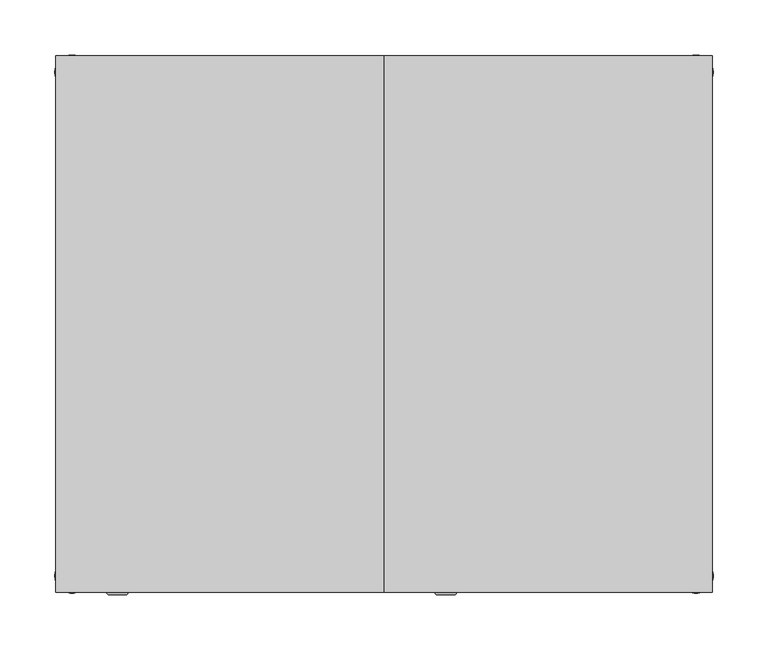
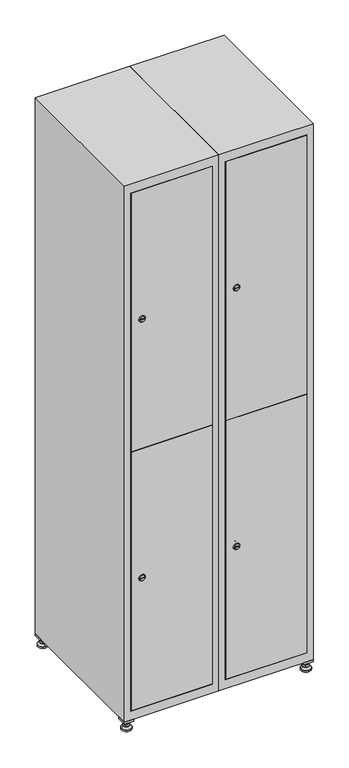
"""IFC4 building model written with IfcOpenShell, lengths in millimetres: furniture geometry."""

from ifc_helpers import new_model, si_unit, point, frame, frame_2d, origin, origin_with_axes, place, context, project, spatial, polyline, circle_curve, trimmed, segment, composite_curve, outline, extrude, faceted_brep, source, transform, mapped, element, save
from ifc_brep_helpers import plane_surface, revolved_surface, advanced_brep


def furniture_f09a7228(model_context):
    return source(origin(), model_context, "Body", "SolidModel", [
        extrude(outline(polyline([(400.0, 245.0), (400.0, 215.0), (370.0, 215.0), (370.0, 245.0), (400.0, 245.0)]), holes=[polyline([(398.0, 243.0), (372.0, 243.0), (372.0, 217.0), (398.0, 217.0), (398.0, 243.0)])]), frame((0.0, 0.0, 28.5), z_axis=(0.0, 0.0, 1.0), x_axis=(1.0, 0.0, 0.0)), (0.0, 0.0, 1.0), 6.5),
        extrude(outline(polyline([(370.0, -245.0), (370.0, -215.0), (400.0, -215.0), (400.0, -245.0), (370.0, -245.0)]), holes=[polyline([(372.0, -243.0), (398.0, -243.0), (398.0, -217.0), (372.0, -217.0), (372.0, -243.0)])]), frame((0.0, 0.0, 28.5), z_axis=(0.0, 0.0, 1.0), x_axis=(1.0, 0.0, 0.0)), (0.0, 0.0, 1.0), 6.5),
        extrude(outline(polyline([(-170.0, 245.0), (-170.0, 215.0), (-200.0, 215.0), (-200.0, 245.0), (-170.0, 245.0)]), holes=[polyline([(-172.0, 243.0), (-198.0, 243.0), (-198.0, 217.0), (-172.0, 217.0), (-172.0, 243.0)])]), frame((0.0, 0.0, 28.5), z_axis=(0.0, 0.0, 1.0), x_axis=(1.0, 0.0, 0.0)), (0.0, 0.0, 1.0), 6.5),
        extrude(outline(polyline([(-170.0, -215.0), (-170.0, -245.0), (-200.0, -245.0), (-200.0, -215.0), (-170.0, -215.0)]), holes=[polyline([(-198.0, -243.0), (-172.0, -243.0), (-172.0, -217.0), (-198.0, -217.0), (-198.0, -243.0)])]), frame((0.0, 0.0, 28.5), z_axis=(0.0, 0.0, 1.0), x_axis=(1.0, 0.0, 0.0)), (0.0, 0.0, 1.0), 6.5),
        extrude(outline(composite_curve([segment(trimmed(circle_curve(frame_2d((-185.0, 230.0)), 5.0), [point((-180.0, 230.0))], [point((-190.0, 230.0))], False, "CARTESIAN"), True, "CONTINUOUS"), segment(trimmed(circle_curve(frame_2d((-185.0, 230.0)), 5.0), [point((-190.0, 230.0))], [point((-180.0, 230.0))], False, "CARTESIAN"), True, "CONTINUOUS")], self_intersect=False)), frame((0.0, 0.0, 19.6), z_axis=(0.0, 0.0, 1.0), x_axis=(1.0, 0.0, 0.0)), (0.0, 0.0, 1.0), 15.4),
        extrude(outline(composite_curve([segment(trimmed(circle_curve(frame_2d((-185.0, -230.0)), 5.0), [point((-180.0, -230.0))], [point((-190.0, -230.0))], False, "CARTESIAN"), True, "CONTINUOUS"), segment(trimmed(circle_curve(frame_2d((-185.0, -230.0)), 5.0), [point((-190.0, -230.0))], [point((-180.0, -230.0))], False, "CARTESIAN"), True, "CONTINUOUS")], self_intersect=False)), frame((0.0, 0.0, 19.6), z_axis=(0.0, 0.0, 1.0), x_axis=(1.0, 0.0, 0.0)), (0.0, 0.0, 1.0), 15.4),
        extrude(outline(composite_curve([segment(trimmed(circle_curve(frame_2d((385.0, 230.0)), 5.0), [point((390.0, 230.0))], [point((380.0, 230.0))], False, "CARTESIAN"), True, "CONTINUOUS"), segment(trimmed(circle_curve(frame_2d((385.0, 230.0)), 5.0), [point((380.0, 230.0))], [point((390.0, 230.0))], False, "CARTESIAN"), True, "CONTINUOUS")], self_intersect=False)), frame((0.0, 0.0, 19.6), z_axis=(0.0, 0.0, 1.0), x_axis=(1.0, 0.0, 0.0)), (0.0, 0.0, 1.0), 15.4),
        extrude(outline(polyline([(373.4529946, 230.0), (379.2264973, 240.0), (390.7735027, 240.0), (396.5470054, 230.0), (390.7735027, 220.0), (379.2264973, 220.0), (373.4529946, 230.0)])), frame((0.0, 0.0, 13.6), z_axis=(0.0, 0.0, 1.0), x_axis=(1.0, 0.0, 0.0)), (0.0, 0.0, 1.0), 6.0),
        extrude(outline(composite_curve([segment(trimmed(circle_curve(frame_2d((385.0, -230.0)), 5.0), [point((390.0, -230.0))], [point((380.0, -230.0))], False, "CARTESIAN"), True, "CONTINUOUS"), segment(trimmed(circle_curve(frame_2d((385.0, -230.0)), 5.0), [point((380.0, -230.0))], [point((390.0, -230.0))], False, "CARTESIAN"), True, "CONTINUOUS")], self_intersect=False)), frame((0.0, 0.0, 19.6), z_axis=(0.0, 0.0, 1.0), x_axis=(1.0, 0.0, 0.0)), (0.0, 0.0, 1.0), 15.4),
        extrude(outline(polyline([(373.4529946, -230.0), (379.2264973, -220.0), (390.7735027, -220.0), (396.5470054, -230.0), (390.7735027, -240.0), (379.2264973, -240.0), (373.4529946, -230.0)])), frame((0.0, 0.0, 13.6), z_axis=(0.0, 0.0, 1.0), x_axis=(1.0, 0.0, 0.0)), (0.0, 0.0, 1.0), 6.0),
        extrude(outline(composite_curve([segment(trimmed(circle_curve(frame_2d((385.0, 230.0)), 5.0), [point((390.0, 230.0))], [point((380.0, 230.0))], False, "CARTESIAN"), True, "CONTINUOUS"), segment(trimmed(circle_curve(frame_2d((385.0, 230.0)), 5.0), [point((380.0, 230.0))], [point((390.0, 230.0))], False, "CARTESIAN"), True, "CONTINUOUS")], self_intersect=False)), frame((0.0, 0.0, 12.1), z_axis=(0.0, 0.0, 1.0), x_axis=(1.0, 0.0, 0.0)), (0.0, 0.0, 1.0), 1.5),
        extrude(outline(composite_curve([segment(trimmed(circle_curve(frame_2d((385.0, -230.0)), 5.0), [point((390.0, -230.0))], [point((380.0, -230.0))], False, "CARTESIAN"), True, "CONTINUOUS"), segment(trimmed(circle_curve(frame_2d((385.0, -230.0)), 5.0), [point((380.0, -230.0))], [point((390.0, -230.0))], False, "CARTESIAN"), True, "CONTINUOUS")], self_intersect=False)), frame((0.0, 0.0, 12.1), z_axis=(0.0, 0.0, 1.0), x_axis=(1.0, 0.0, 0.0)), (0.0, 0.0, 1.0), 1.5),
        extrude(outline(polyline([(-196.5470054, 230.0), (-190.7735027, 240.0), (-179.2264973, 240.0), (-173.4529946, 230.0), (-179.2264973, 220.0), (-190.7735027, 220.0), (-196.5470054, 230.0)])), frame((0.0, 0.0, 13.6), z_axis=(0.0, 0.0, 1.0), x_axis=(1.0, 0.0, 0.0)), (0.0, 0.0, 1.0), 6.0),
        extrude(outline(polyline([(-196.5470054, -230.0), (-190.7735027, -220.0), (-179.2264973, -220.0), (-173.4529946, -230.0), (-179.2264973, -240.0), (-190.7735027, -240.0), (-196.5470054, -230.0)])), frame((0.0, 0.0, 13.6), z_axis=(0.0, 0.0, 1.0), x_axis=(1.0, 0.0, 0.0)), (0.0, 0.0, 1.0), 6.0),
        extrude(outline(composite_curve([segment(trimmed(circle_curve(frame_2d((-185.0, 230.0)), 5.0), [point((-185.0, 235.0))], [point((-185.0, 225.0))], False, "CARTESIAN"), True, "CONTINUOUS"), segment(trimmed(circle_curve(frame_2d((-185.0, 230.0)), 5.0), [point((-185.0, 225.0))], [point((-185.0, 235.0))], False, "CARTESIAN"), True, "CONTINUOUS")], self_intersect=False)), frame((0.0, 0.0, 12.1), z_axis=(0.0, 0.0, 1.0), x_axis=(1.0, 0.0, 0.0)), (0.0, 0.0, 1.0), 1.5),
        extrude(outline(composite_curve([segment(trimmed(circle_curve(frame_2d((-185.0, -230.0)), 5.0), [point((-180.0, -230.0))], [point((-190.0, -230.0))], False, "CARTESIAN"), True, "CONTINUOUS"), segment(trimmed(circle_curve(frame_2d((-185.0, -230.0)), 5.0), [point((-190.0, -230.0))], [point((-180.0, -230.0))], False, "CARTESIAN"), True, "CONTINUOUS")], self_intersect=False)), frame((0.0, 0.0, 12.1), z_axis=(0.0, 0.0, 1.0), x_axis=(1.0, 0.0, 0.0)), (0.0, 0.0, 1.0), 1.5),
        extrude(outline(composite_curve([segment(trimmed(circle_curve(frame_2d((385.0, 230.0)), 15.75), [point((400.75, 230.0))], [point((369.25, 230.0))], False, "CARTESIAN"), True, "CONTINUOUS"), segment(trimmed(circle_curve(frame_2d((385.0, 230.0)), 15.75), [point((369.25, 230.0))], [point((400.75, 230.0))], False, "CARTESIAN"), True, "CONTINUOUS")], self_intersect=False)), origin_with_axes(), (0.0, 0.0, 1.0), 5.1),
        extrude(outline(composite_curve([segment(trimmed(circle_curve(frame_2d((385.0, -230.0)), 15.75), [point((385.0, -214.25))], [point((385.0, -245.75))], False, "CARTESIAN"), True, "CONTINUOUS"), segment(trimmed(circle_curve(frame_2d((385.0, -230.0)), 15.75), [point((385.0, -245.75))], [point((385.0, -214.25))], False, "CARTESIAN"), True, "CONTINUOUS")], self_intersect=False)), origin_with_axes(), (0.0, 0.0, 1.0), 5.1),
        extrude(outline(composite_curve([segment(trimmed(circle_curve(frame_2d((-185.0, -230.0)), 15.75), [point((-169.25, -230.0))], [point((-200.75, -230.0))], False, "CARTESIAN"), True, "CONTINUOUS"), segment(trimmed(circle_curve(frame_2d((-185.0, -230.0)), 15.75), [point((-200.75, -230.0))], [point((-169.25, -230.0))], False, "CARTESIAN"), True, "CONTINUOUS")], self_intersect=False)), origin_with_axes(), (0.0, 0.0, 1.0), 5.1),
        extrude(outline(composite_curve([segment(trimmed(circle_curve(frame_2d((-185.0, 230.0)), 15.75), [point((-169.25, 230.0))], [point((-200.75, 230.0))], False, "CARTESIAN"), True, "CONTINUOUS"), segment(trimmed(circle_curve(frame_2d((-185.0, 230.0)), 15.75), [point((-200.75, 230.0))], [point((-169.25, 230.0))], False, "CARTESIAN"), True, "CONTINUOUS")], self_intersect=False)), origin_with_axes(), (0.0, 0.0, 1.0), 5.1),
        advanced_brep(
        [(-185.0, 245.75, 5.1), (-185.0, 214.25, 5.1), (-185.0, 239.5, 12.1), (-185.0, 220.5, 12.1)],
        [
            (0, 1, circle_curve(frame((-185.0, 230.0, 5.1), z_axis=(0.0, 0.0, -1.0), x_axis=(0.0, 1.0, 0.0)), 15.75)),
            (1, 0, circle_curve(frame((-185.0, 230.0, 5.1), z_axis=(0.0, 0.0, -1.0), x_axis=(0.0, -1.0, 0.0)), 15.75)),
            (2, 3, circle_curve(frame((-185.0, 230.0, 12.1), z_axis=(0.0, 0.0, 1.0), x_axis=(0.0, -1.0, 0.0)), 9.5)),
            (3, 2, circle_curve(frame((-185.0, 230.0, 12.1), z_axis=(0.0, 0.0, 1.0), x_axis=(0.0, 1.0, 0.0)), 9.5)),
            (3, 1),
            (0, 2),
        ],
        [
            plane_surface(frame((-185.0, 230.0, 5.1), z_axis=(0.0, 0.0, -1.0), x_axis=(1.0, 0.0, 0.0))),
            plane_surface(frame((-185.0, 230.0, 12.1), z_axis=(0.0, 0.0, 1.0), x_axis=(1.0, 0.0, 0.0))),
            revolved_surface(polyline([(-185.0, 220.5, 12.099999999999998), (-185.0, 214.25, 5.099999999999998)]), (-185.0, 230.0, 22.74), (0.0, 0.0, -1.0)),
            revolved_surface(polyline([(-185.0, 239.5, 12.099999999999998), (-185.0, 245.75, 5.099999999999998)]), (-185.0, 230.0, 22.74), (0.0, 0.0, -1.0)),
        ],
        [
            (0, [[1, 2]]),
            (1, [[3, 4]]),
            (2, [[-4, 5, -1, 6]]),
            (3, [[-3, -6, -2, -5]]),
        ],
    ),
        advanced_brep(
        [(385.0, 245.75, 5.1), (385.0, 214.25, 5.1), (385.0, 239.5, 12.1), (385.0, 220.5, 12.1)],
        [
            (0, 1, circle_curve(frame((385.0, 230.0, 5.1), z_axis=(0.0, 0.0, -1.0), x_axis=(0.0, 1.0, 0.0)), 15.75)),
            (1, 0, circle_curve(frame((385.0, 230.0, 5.1), z_axis=(0.0, 0.0, -1.0), x_axis=(0.0, -1.0, 0.0)), 15.75)),
            (2, 3, circle_curve(frame((385.0, 230.0, 12.1), z_axis=(0.0, 0.0, 1.0), x_axis=(0.0, -1.0, 0.0)), 9.5)),
            (3, 2, circle_curve(frame((385.0, 230.0, 12.1), z_axis=(0.0, 0.0, 1.0), x_axis=(0.0, 1.0, 0.0)), 9.5)),
            (3, 1),
            (0, 2),
        ],
        [
            plane_surface(frame((385.0, 230.0, 5.1), z_axis=(0.0, 0.0, -1.0), x_axis=(1.0, 0.0, 0.0))),
            plane_surface(frame((385.0, 230.0, 12.1), z_axis=(0.0, 0.0, 1.0), x_axis=(1.0, 0.0, 0.0))),
            revolved_surface(polyline([(385.0, 220.5, 12.099999999999998), (385.0, 214.25, 5.099999999999998)]), (385.0, 230.0, 22.74), (0.0, 0.0, -1.0)),
            revolved_surface(polyline([(385.0, 239.5, 12.099999999999998), (385.0, 245.75, 5.099999999999998)]), (385.0, 230.0, 22.74), (0.0, 0.0, -1.0)),
        ],
        [
            (0, [[1, 2]]),
            (1, [[3, 4]]),
            (2, [[-4, 5, -1, 6]]),
            (3, [[-3, -6, -2, -5]]),
        ],
    ),
        advanced_brep(
        [(394.5, -230.0, 12.1), (375.5, -230.0, 12.1), (400.75, -230.0, 5.1), (369.25, -230.0, 5.1)],
        [
            (0, 1, circle_curve(frame((385.0, -230.0, 12.1), z_axis=(0.0, 0.0, 1.0), x_axis=(1.0, 0.0, 0.0)), 9.5)),
            (1, 0, circle_curve(frame((385.0, -230.0, 12.1), z_axis=(0.0, 0.0, 1.0), x_axis=(-1.0, 0.0, 0.0)), 9.5)),
            (2, 3, circle_curve(frame((385.0, -230.0, 5.1), z_axis=(0.0, 0.0, -1.0), x_axis=(-1.0, 0.0, 0.0)), 15.75)),
            (3, 2, circle_curve(frame((385.0, -230.0, 5.1), z_axis=(0.0, 0.0, -1.0), x_axis=(1.0, 0.0, 0.0)), 15.75)),
            (3, 1),
            (0, 2),
        ],
        [
            plane_surface(frame((385.0, -230.0, 12.1), z_axis=(0.0, 0.0, 1.0), x_axis=(0.0, 1.0, 0.0))),
            plane_surface(frame((385.0, -230.0, 5.1), z_axis=(0.0, 0.0, -1.0), x_axis=(0.0, 1.0, 0.0))),
            revolved_surface(polyline([(394.5, -230.0, 12.099999999999998), (400.75, -230.0, 5.099999999999998)]), (385.0, -230.0, 22.74), (0.0, 0.0, -1.0)),
            revolved_surface(polyline([(375.5, -230.0, 12.099999999999998), (369.25, -230.0, 5.099999999999998)]), (385.0, -230.0, 22.74), (0.0, 0.0, -1.0)),
        ],
        [
            (0, [[1, 2]]),
            (1, [[3, 4]]),
            (2, [[-4, 5, -1, 6]]),
            (3, [[-3, -6, -2, -5]]),
        ],
    ),
        advanced_brep(
        [(-175.5, -230.0, 12.1), (-194.5, -230.0, 12.1), (-169.25, -230.0, 5.1), (-200.75, -230.0, 5.1)],
        [
            (0, 1, circle_curve(frame((-185.0, -230.0, 12.1), z_axis=(0.0, 0.0, 1.0), x_axis=(1.0, 0.0, 0.0)), 9.5)),
            (1, 0, circle_curve(frame((-185.0, -230.0, 12.1), z_axis=(0.0, 0.0, 1.0), x_axis=(-1.0, 0.0, 0.0)), 9.5)),
            (2, 3, circle_curve(frame((-185.0, -230.0, 5.1), z_axis=(0.0, 0.0, -1.0), x_axis=(-1.0, 0.0, 0.0)), 15.75)),
            (3, 2, circle_curve(frame((-185.0, -230.0, 5.1), z_axis=(0.0, 0.0, -1.0), x_axis=(1.0, 0.0, 0.0)), 15.75)),
            (3, 1),
            (0, 2),
        ],
        [
            plane_surface(frame((-185.0, -230.0, 12.1), z_axis=(0.0, 0.0, 1.0), x_axis=(0.0, 1.0, 0.0))),
            plane_surface(frame((-185.0, -230.0, 5.1), z_axis=(0.0, 0.0, -1.0), x_axis=(0.0, 1.0, 0.0))),
            revolved_surface(polyline([(-175.5, -230.0, 12.099999999999998), (-169.25, -230.0, 5.099999999999998)]), (-185.0, -230.0, 22.74), (0.0, 0.0, -1.0)),
            revolved_surface(polyline([(-194.5, -230.0, 12.099999999999998), (-200.75, -230.0, 5.099999999999998)]), (-185.0, -230.0, 22.74), (0.0, 0.0, -1.0)),
        ],
        [
            (0, [[1, 2]]),
            (1, [[3, 4]]),
            (2, [[-4, 5, -1, 6]]),
            (3, [[-3, -6, -2, -5]]),
        ],
    ),
        extrude(outline(composite_curve([segment(trimmed(circle_curve(frame_2d((500.6, 129.6010534)), 7.0), [point((507.6, 129.6010534))], [point((493.6, 129.6010534))], False, "CARTESIAN"), True, "CONTINUOUS"), segment(polyline([(493.6, 129.6010534), (493.6, 157.6010534)]), True, "CONTINUOUS"), segment(trimmed(circle_curve(frame_2d((500.6, 157.6010534)), 7.0), [point((493.6, 157.6010534))], [point((507.6, 157.6010534))], False, "CARTESIAN"), True, "CONTINUOUS"), segment(polyline([(507.6, 157.6010534), (507.6, 129.6010534)]), True, "CONTINUOUS")], self_intersect=False)), frame((0.0, -227.0, 0.0), z_axis=(0.0, 1.0, 0.0), x_axis=(0.0, 0.0, 1.0)), (0.0, 0.0, 1.0), 2.0),
        advanced_brep(
        [(164.9, -247.2, 500.6), (147.9, -247.2, 500.6), (151.4, -247.2, 499.35), (151.4, -247.2, 501.85), (161.4, -247.2, 501.85), (161.4, -247.2, 499.35), (166.9, -245.0, 500.6), (145.9, -245.0, 500.6), (151.4, -245.0, 501.85), (151.4, -245.0, 499.35), (161.4, -245.0, 499.35), (161.4, -245.0, 501.85)],
        [
            (0, 1, circle_curve(frame((156.4, -247.2, 500.6), z_axis=(0.0, -1.0, 0.0), x_axis=(1.0, 0.0, 0.0)), 8.5)),
            (1, 0, circle_curve(frame((156.4, -247.2, 500.6), z_axis=(0.0, -1.0, 0.0), x_axis=(-1.0, 0.0, 0.0)), 8.5)),
            (2, 3),
            (3, 4),
            (4, 5),
            (5, 2),
            (6, 7, circle_curve(frame((156.4, -245.0, 500.6), z_axis=(0.0, 1.0, 0.0), x_axis=(-1.0, 0.0, 0.0)), 10.5)),
            (7, 6, circle_curve(frame((156.4, -245.0, 500.6), z_axis=(0.0, 1.0, 0.0), x_axis=(1.0, 0.0, 0.0)), 10.5)),
            (8, 9),
            (9, 10),
            (10, 11),
            (11, 8),
            (0, 6),
            (7, 1),
            (8, 3),
            (2, 9),
            (11, 4),
            (10, 5),
        ],
        [
            plane_surface(frame((156.4, -247.2, 500.6), z_axis=(0.0, -1.0, 0.0), x_axis=(0.0, 0.0, 1.0))),
            plane_surface(frame((156.4, -245.0, 500.6), z_axis=(0.0, 1.0, 0.0), x_axis=(0.0, 0.0, 1.0))),
            revolved_surface(polyline([(164.9, -247.2, 500.6), (166.9, -245.0, 500.6)]), (156.4, -256.55, 500.6), (0.0, 1.0, 0.0)),
            revolved_surface(polyline([(147.9, -247.2, 500.6), (145.9, -245.0, 500.6)]), (156.4, -256.55, 500.6), (0.0, 1.0, 0.0)),
            plane_surface(frame((151.4, -245.0, 499.35), z_axis=(1.0, 0.0, 0.0), x_axis=(0.0, -1.0, 0.0))),
            plane_surface(frame((151.4, -245.0, 501.85), z_axis=(0.0, 0.0, -1.0), x_axis=(0.0, -1.0, 0.0))),
            plane_surface(frame((161.4, -245.0, 501.85), z_axis=(-1.0, 0.0, 0.0), x_axis=(0.0, -1.0, 0.0))),
            plane_surface(frame((161.4, -245.0, 499.35), z_axis=(0.0, 0.0, 1.0), x_axis=(0.0, -1.0, 0.0))),
        ],
        [
            (0, [[1, 2], [3, 4, 5, 6]]),
            (1, [[7, 8], [9, 10, 11, 12]]),
            (2, [[-1, 13, -8, 14]]),
            (3, [[-2, -14, -7, -13]]),
            (4, [[15, -3, 16, -9]]),
            (5, [[-15, -12, 17, -4]]),
            (6, [[-17, -11, 18, -5]]),
            (7, [[-16, -6, -18, -10]]),
        ],
    ),
        extrude(outline(composite_curve([segment(trimmed(circle_curve(frame_2d((1369.4, 129.6010534)), 7.0), [point((1376.4, 129.6010534))], [point((1362.4, 129.6010534))], False, "CARTESIAN"), True, "CONTINUOUS"), segment(polyline([(1362.4, 129.6010534), (1362.4, 157.6010534)]), True, "CONTINUOUS"), segment(trimmed(circle_curve(frame_2d((1369.4, 157.6010534)), 7.0), [point((1362.4, 157.6010534))], [point((1376.4, 157.6010534))], False, "CARTESIAN"), True, "CONTINUOUS"), segment(polyline([(1376.4, 157.6010534), (1376.4, 129.6010534)]), True, "CONTINUOUS")], self_intersect=False)), frame((0.0, -227.0, 0.0), z_axis=(0.0, 1.0, 0.0), x_axis=(0.0, 0.0, 1.0)), (0.0, 0.0, 1.0), 2.0),
        advanced_brep(
        [(164.9, -247.2, 1369.4), (147.9, -247.2, 1369.4), (151.4, -247.2, 1368.15), (151.4, -247.2, 1370.65), (161.4, -247.2, 1370.65), (161.4, -247.2, 1368.15), (166.9, -245.0, 1369.4), (145.9, -245.0, 1369.4), (151.4, -245.0, 1370.65), (151.4, -245.0, 1368.15), (161.4, -245.0, 1368.15), (161.4, -245.0, 1370.65)],
        [
            (0, 1, circle_curve(frame((156.4, -247.2, 1369.4), z_axis=(0.0, -1.0, 0.0), x_axis=(1.0, 0.0, 0.0)), 8.5)),
            (1, 0, circle_curve(frame((156.4, -247.2, 1369.4), z_axis=(0.0, -1.0, 0.0), x_axis=(-1.0, 0.0, 0.0)), 8.5)),
            (2, 3),
            (3, 4),
            (4, 5),
            (5, 2),
            (6, 7, circle_curve(frame((156.4, -245.0, 1369.4), z_axis=(0.0, 1.0, 0.0), x_axis=(-1.0, 0.0, 0.0)), 10.5)),
            (7, 6, circle_curve(frame((156.4, -245.0, 1369.4), z_axis=(0.0, 1.0, 0.0), x_axis=(1.0, 0.0, 0.0)), 10.5)),
            (8, 9),
            (9, 10),
            (10, 11),
            (11, 8),
            (0, 6),
            (7, 1),
            (8, 3),
            (2, 9),
            (11, 4),
            (10, 5),
        ],
        [
            plane_surface(frame((156.4, -247.2, 1369.4), z_axis=(0.0, -1.0, 0.0), x_axis=(0.0, 0.0, 1.0))),
            plane_surface(frame((156.4, -245.0, 1369.4), z_axis=(0.0, 1.0, 0.0), x_axis=(0.0, 0.0, 1.0))),
            revolved_surface(polyline([(164.9, -247.2, 1369.4), (166.9, -245.0, 1369.4)]), (156.4, -256.55, 1369.4), (0.0, 1.0, 0.0)),
            revolved_surface(polyline([(147.9, -247.2, 1369.4), (145.9, -245.0, 1369.4)]), (156.4, -256.55, 1369.4), (0.0, 1.0, 0.0)),
            plane_surface(frame((151.4, -245.0, 1368.15), z_axis=(1.0, 0.0, 0.0), x_axis=(0.0, -1.0, 0.0))),
            plane_surface(frame((151.4, -245.0, 1370.65), z_axis=(0.0, 0.0, -1.0), x_axis=(0.0, -1.0, 0.0))),
            plane_surface(frame((161.4, -245.0, 1370.65), z_axis=(-1.0, 0.0, 0.0), x_axis=(0.0, -1.0, 0.0))),
            plane_surface(frame((161.4, -245.0, 1368.15), z_axis=(0.0, 0.0, 1.0), x_axis=(0.0, -1.0, 0.0))),
        ],
        [
            (0, [[1, 2], [3, 4, 5, 6]]),
            (1, [[7, 8], [9, 10, 11, 12]]),
            (2, [[-1, 13, -8, 14]]),
            (3, [[-2, -14, -7, -13]]),
            (4, [[15, -3, 16, -9]]),
            (5, [[-15, -12, 17, -4]]),
            (6, [[-17, -11, 18, -5]]),
            (7, [[-16, -6, -18, -10]]),
        ],
    ),
        extrude(outline(polyline([(121.4, -245.0), (121.4, -227.0), (378.6, -227.0), (378.6, -245.0), (121.4, -245.0)])), frame((0.0, 0.0, 66.2), z_axis=(0.0, 0.0, 1.0), x_axis=(1.0, 0.0, 0.0)), (0.0, 0.0, 1.0), 868.3),
        extrude(outline(polyline([(378.6, -227.0), (378.6, -245.0), (121.4, -245.0), (121.4, -227.0), (378.6, -227.0)])), frame((0.0, 0.0, 935.5), z_axis=(0.0, 0.0, 1.0), x_axis=(1.0, 0.0, 0.0)), (0.0, 0.0, 1.0), 868.3),
        extrude(outline(polyline([(379.6, 242.0), (379.6, -227.0), (120.4, -227.0), (120.4, 242.0), (379.6, 242.0)])), frame((0.0, 0.0, 924.8), z_axis=(0.0, 0.0, 1.0), x_axis=(1.0, 0.0, 0.0)), (0.0, 0.0, 1.0), 20.4),
        faceted_brep([(400.0, -245.0, 35.0), (400.0, -245.0, 1835.0), (100.0, -245.0, 1835.0), (100.0, -245.0, 35.0), (379.6, -245.0, 1804.8), (379.6, -245.0, 65.2), (120.4, -245.0, 65.2), (120.4, -245.0, 1804.8), (400.0, 245.0, 35.0), (100.0, 245.0, 35.0), (400.0, 245.0, 1835.0), (100.0, 245.0, 1835.0), (379.6, 242.0, 1804.8), (379.6, 242.0, 65.2), (100.0, 245.0, 1804.8), (120.4, 242.0, 1804.8), (120.4, 242.0, 65.2)], [[[0, 1, 2, 3], [4, 5, 6, 7]], [[8, 0, 3, 9]], [[1, 0, 8, 10]], [[1, 10, 11, 2]], [[4, 12, 13, 5]], [[9, 3, 2, 11, 14]], [[10, 8, 9, 14, 11]], [[12, 15, 16, 13]], [[15, 7, 6, 16]], [[4, 7, 15, 12]], [[6, 5, 13, 16]]]),
        extrude(outline(composite_curve([segment(trimmed(circle_curve(frame_2d((500.6, -170.3989466)), 7.0), [point((507.6, -170.3989466))], [point((493.6, -170.3989466))], False, "CARTESIAN"), True, "CONTINUOUS"), segment(polyline([(493.6, -170.3989466), (493.6, -142.3989466)]), True, "CONTINUOUS"), segment(trimmed(circle_curve(frame_2d((500.6, -142.3989466)), 7.0), [point((493.6, -142.3989466))], [point((507.6, -142.3989466))], False, "CARTESIAN"), True, "CONTINUOUS"), segment(polyline([(507.6, -142.3989466), (507.6, -170.3989466)]), True, "CONTINUOUS")], self_intersect=False)), frame((0.0, -227.0, 0.0), z_axis=(0.0, 1.0, 0.0), x_axis=(0.0, 0.0, 1.0)), (0.0, 0.0, 1.0), 2.0),
        advanced_brep(
        [(-135.1, -247.2, 500.6), (-152.1, -247.2, 500.6), (-148.6, -247.2, 499.35), (-148.6, -247.2, 501.85), (-138.6, -247.2, 501.85), (-138.6, -247.2, 499.35), (-133.1, -245.0, 500.6), (-154.1, -245.0, 500.6), (-148.6, -245.0, 501.85), (-148.6, -245.0, 499.35), (-138.6, -245.0, 499.35), (-138.6, -245.0, 501.85)],
        [
            (0, 1, circle_curve(frame((-143.6, -247.2, 500.6), z_axis=(0.0, -1.0, 0.0), x_axis=(1.0, 0.0, 0.0)), 8.5)),
            (1, 0, circle_curve(frame((-143.6, -247.2, 500.6), z_axis=(0.0, -1.0, 0.0), x_axis=(-1.0, 0.0, 0.0)), 8.5)),
            (2, 3),
            (3, 4),
            (4, 5),
            (5, 2),
            (6, 7, circle_curve(frame((-143.6, -245.0, 500.6), z_axis=(0.0, 1.0, 0.0), x_axis=(-1.0, 0.0, 0.0)), 10.5)),
            (7, 6, circle_curve(frame((-143.6, -245.0, 500.6), z_axis=(0.0, 1.0, 0.0), x_axis=(1.0, 0.0, 0.0)), 10.5)),
            (8, 9),
            (9, 10),
            (10, 11),
            (11, 8),
            (0, 6),
            (7, 1),
            (8, 3),
            (2, 9),
            (11, 4),
            (10, 5),
        ],
        [
            plane_surface(frame((-143.6, -247.2, 500.6), z_axis=(0.0, -1.0, 0.0), x_axis=(0.0, 0.0, 1.0))),
            plane_surface(frame((-143.6, -245.0, 500.6), z_axis=(0.0, 1.0, 0.0), x_axis=(0.0, 0.0, 1.0))),
            revolved_surface(polyline([(-135.1, -247.2, 500.6), (-133.1, -245.0, 500.6)]), (-143.6, -256.55, 500.6), (0.0, 1.0, 0.0)),
            revolved_surface(polyline([(-152.1, -247.2, 500.6), (-154.1, -245.0, 500.6)]), (-143.6, -256.55, 500.6), (0.0, 1.0, 0.0)),
            plane_surface(frame((-148.6, -245.0, 499.35), z_axis=(1.0, 0.0, 0.0), x_axis=(0.0, -1.0, 0.0))),
            plane_surface(frame((-148.6, -245.0, 501.85), z_axis=(0.0, 0.0, -1.0), x_axis=(0.0, -1.0, 0.0))),
            plane_surface(frame((-138.6, -245.0, 501.85), z_axis=(-1.0, 0.0, 0.0), x_axis=(0.0, -1.0, 0.0))),
            plane_surface(frame((-138.6, -245.0, 499.35), z_axis=(0.0, 0.0, 1.0), x_axis=(0.0, -1.0, 0.0))),
        ],
        [
            (0, [[1, 2], [3, 4, 5, 6]]),
            (1, [[7, 8], [9, 10, 11, 12]]),
            (2, [[-1, 13, -8, 14]]),
            (3, [[-2, -14, -7, -13]]),
            (4, [[15, -3, 16, -9]]),
            (5, [[-15, -12, 17, -4]]),
            (6, [[-17, -11, 18, -5]]),
            (7, [[-16, -6, -18, -10]]),
        ],
    ),
        extrude(outline(composite_curve([segment(trimmed(circle_curve(frame_2d((1369.4, -170.3989466)), 7.0), [point((1376.4, -170.3989466))], [point((1362.4, -170.3989466))], False, "CARTESIAN"), True, "CONTINUOUS"), segment(polyline([(1362.4, -170.3989466), (1362.4, -142.3989466)]), True, "CONTINUOUS"), segment(trimmed(circle_curve(frame_2d((1369.4, -142.3989466)), 7.0), [point((1362.4, -142.3989466))], [point((1376.4, -142.3989466))], False, "CARTESIAN"), True, "CONTINUOUS"), segment(polyline([(1376.4, -142.3989466), (1376.4, -170.3989466)]), True, "CONTINUOUS")], self_intersect=False)), frame((0.0, -227.0, 0.0), z_axis=(0.0, 1.0, 0.0), x_axis=(0.0, 0.0, 1.0)), (0.0, 0.0, 1.0), 2.0),
        advanced_brep(
        [(-135.1, -247.2, 1369.4), (-152.1, -247.2, 1369.4), (-148.6, -247.2, 1368.15), (-148.6, -247.2, 1370.65), (-138.6, -247.2, 1370.65), (-138.6, -247.2, 1368.15), (-133.1, -245.0, 1369.4), (-154.1, -245.0, 1369.4), (-148.6, -245.0, 1370.65), (-148.6, -245.0, 1368.15), (-138.6, -245.0, 1368.15), (-138.6, -245.0, 1370.65)],
        [
            (0, 1, circle_curve(frame((-143.6, -247.2, 1369.4), z_axis=(0.0, -1.0, 0.0), x_axis=(1.0, 0.0, 0.0)), 8.5)),
            (1, 0, circle_curve(frame((-143.6, -247.2, 1369.4), z_axis=(0.0, -1.0, 0.0), x_axis=(-1.0, 0.0, 0.0)), 8.5)),
            (2, 3),
            (3, 4),
            (4, 5),
            (5, 2),
            (6, 7, circle_curve(frame((-143.6, -245.0, 1369.4), z_axis=(0.0, 1.0, 0.0), x_axis=(-1.0, 0.0, 0.0)), 10.5)),
            (7, 6, circle_curve(frame((-143.6, -245.0, 1369.4), z_axis=(0.0, 1.0, 0.0), x_axis=(1.0, 0.0, 0.0)), 10.5)),
            (8, 9),
            (9, 10),
            (10, 11),
            (11, 8),
            (0, 6),
            (7, 1),
            (8, 3),
            (2, 9),
            (11, 4),
            (10, 5),
        ],
        [
            plane_surface(frame((-143.6, -247.2, 1369.4), z_axis=(0.0, -1.0, 0.0), x_axis=(0.0, 0.0, 1.0))),
            plane_surface(frame((-143.6, -245.0, 1369.4), z_axis=(0.0, 1.0, 0.0), x_axis=(0.0, 0.0, 1.0))),
            revolved_surface(polyline([(-135.1, -247.2, 1369.4), (-133.1, -245.0, 1369.4)]), (-143.6, -256.55, 1369.4), (0.0, 1.0, 0.0)),
            revolved_surface(polyline([(-152.1, -247.2, 1369.4), (-154.1, -245.0, 1369.4)]), (-143.6, -256.55, 1369.4), (0.0, 1.0, 0.0)),
            plane_surface(frame((-148.6, -245.0, 1368.15), z_axis=(1.0, 0.0, 0.0), x_axis=(0.0, -1.0, 0.0))),
            plane_surface(frame((-148.6, -245.0, 1370.65), z_axis=(0.0, 0.0, -1.0), x_axis=(0.0, -1.0, 0.0))),
            plane_surface(frame((-138.6, -245.0, 1370.65), z_axis=(-1.0, 0.0, 0.0), x_axis=(0.0, -1.0, 0.0))),
            plane_surface(frame((-138.6, -245.0, 1368.15), z_axis=(0.0, 0.0, 1.0), x_axis=(0.0, -1.0, 0.0))),
        ],
        [
            (0, [[1, 2], [3, 4, 5, 6]]),
            (1, [[7, 8], [9, 10, 11, 12]]),
            (2, [[-1, 13, -8, 14]]),
            (3, [[-2, -14, -7, -13]]),
            (4, [[15, -3, 16, -9]]),
            (5, [[-15, -12, 17, -4]]),
            (6, [[-17, -11, 18, -5]]),
            (7, [[-16, -6, -18, -10]]),
        ],
    ),
        extrude(outline(polyline([(-178.6, -245.0), (-178.6, -227.0), (78.6, -227.0), (78.6, -245.0), (-178.6, -245.0)])), frame((0.0, 0.0, 66.2), z_axis=(0.0, 0.0, 1.0), x_axis=(1.0, 0.0, 0.0)), (0.0, 0.0, 1.0), 868.3),
        extrude(outline(polyline([(78.6, -227.0), (78.6, -245.0), (-178.6, -245.0), (-178.6, -227.0), (78.6, -227.0)])), frame((0.0, 0.0, 935.5), z_axis=(0.0, 0.0, 1.0), x_axis=(1.0, 0.0, 0.0)), (0.0, 0.0, 1.0), 868.3),
        extrude(outline(polyline([(79.6, 242.0), (79.6, -227.0), (-179.6, -227.0), (-179.6, 242.0), (79.6, 242.0)])), frame((0.0, 0.0, 924.8), z_axis=(0.0, 0.0, 1.0), x_axis=(1.0, 0.0, 0.0)), (0.0, 0.0, 1.0), 20.4),
        faceted_brep([(100.0, -245.0, 35.0), (100.0, -245.0, 1835.0), (-200.0, -245.0, 1835.0), (-200.0, -245.0, 35.0), (79.6, -245.0, 1804.8), (79.6, -245.0, 65.2), (-179.6, -245.0, 65.2), (-179.6, -245.0, 1804.8), (100.0, 245.0, 35.0), (-200.0, 245.0, 35.0), (100.0, 245.0, 1835.0), (-200.0, 245.0, 1835.0), (79.6, 242.0, 1804.8), (79.6, 242.0, 65.2), (-200.0, 245.0, 1804.8), (-179.6, 242.0, 1804.8), (-179.6, 242.0, 65.2)], [[[0, 1, 2, 3], [4, 5, 6, 7]], [[8, 0, 3, 9]], [[1, 0, 8, 10]], [[1, 10, 11, 2]], [[4, 12, 13, 5]], [[9, 3, 2, 11, 14]], [[10, 8, 9, 14, 11]], [[12, 15, 16, 13]], [[15, 7, 6, 16]], [[4, 7, 15, 12]], [[6, 5, 13, 16]]]),
    ])


if __name__ == "__main__":
    model = new_model("IFC4")
    model_context = context("Model", 3, world=origin())
    ifc_project = project(units=[si_unit("LENGTHUNIT", "METRE", prefix="MILLI")], contexts=[model_context])
    site = spatial("IfcSite", under=ifc_project)
    building = spatial("IfcBuilding", under=site)
    placement = place(None, origin())
    furniture_shape = furniture_f09a7228(model_context)
    element("IfcFurniture", 1, at=placement, inside=building, context=model_context, shape_type="MappedRepresentation", body=[
        mapped(furniture_shape, transform((0.0, 0.0, 0.0), x_axis=(1.0, 0.0, 0.0), y_axis=(0.0, 1.0, 0.0), z_axis=(0.0, 0.0, 1.0))),
    ])
    save(model, "model.ifc")
